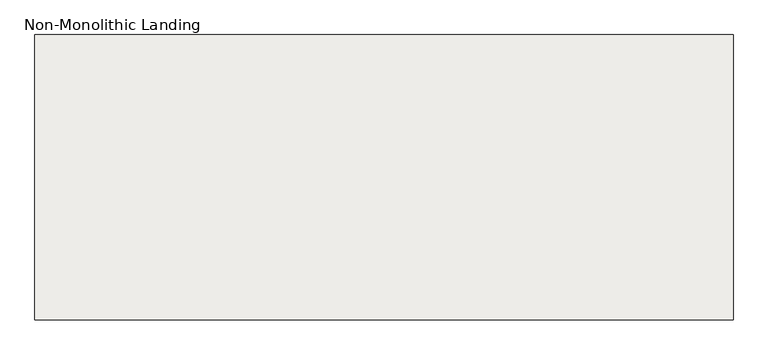
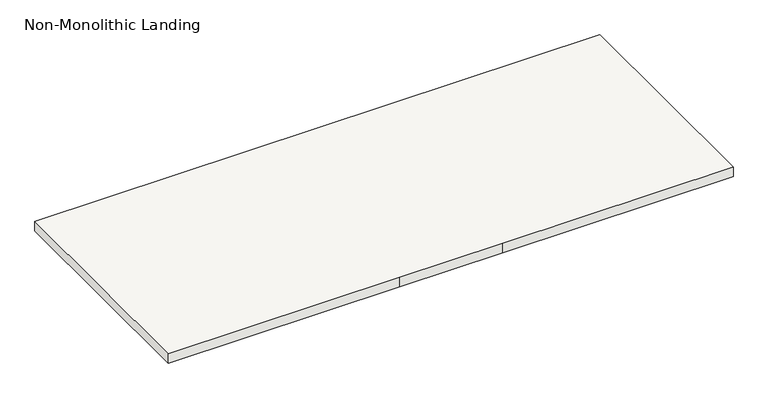
"""IFC4 building model written with IfcOpenShell, lengths in millimetres: slab geometry, Non-Monolithic Landing."""

from ifc_helpers import new_model, si_unit, frame, origin, place, context, project, spatial, polyline, outline, extrude, source, transform, mapped, element, save


def non_monolithic_landing_26082138(model_context):
    return source(origin(), model_context, "Body", "SweptSolid", [
        extrude(outline(polyline([(14679.6955357, 7958.6449078), (14679.6955357, 9158.6449078), (17613.6731966, 9158.6449078), (17613.6731966, 7958.6449078), (16413.6731966, 7958.6449078), (15879.6955357, 7958.6449078), (14679.6955357, 7958.6449078)])), frame((0.0, 0.0, -1550.0), z_axis=(0.0, 0.0, 1.0), x_axis=(1.0, 0.0, 0.0)), (0.0, 0.0, 1.0), 50.0),
    ])


if __name__ == "__main__":
    model = new_model("IFC4")
    model_context = context("Model", 3, world=origin())
    ifc_project = project(units=[si_unit("LENGTHUNIT", "METRE", prefix="MILLI")], contexts=[model_context])
    site = spatial("IfcSite", under=ifc_project)
    building = spatial("IfcBuilding", under=site)
    placement = place(None, origin())
    non_monolithic_landing_shape = non_monolithic_landing_26082138(model_context)
    element("IfcSlab", 1, ObjectType="Non-Monolithic Landing", at=placement, inside=building, context=model_context, shape_type="MappedRepresentation", body=[
        mapped(non_monolithic_landing_shape, transform((0.0, 0.0, 0.0), x_axis=(1.0, 0.0, 0.0), y_axis=(0.0, 1.0, 0.0), z_axis=(0.0, 0.0, 1.0))),
    ])
    save(model, "model.ifc")
